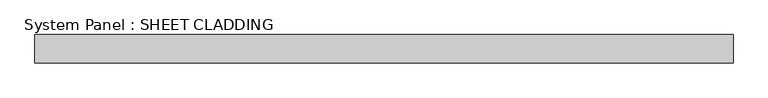
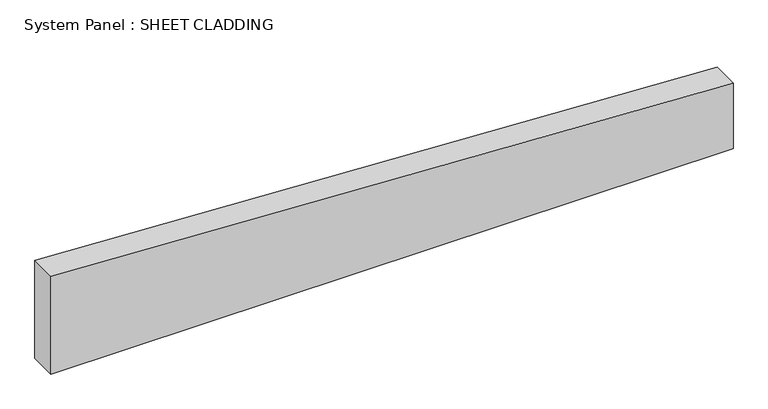
"""IFC4 building model written with IfcOpenShell, lengths in millimetres: plate geometry, System Panel : SHEET CLADDING."""

import ifcopenshell
import ifcopenshell.guid

model = None  # the IFC model being written
_history = None  # IfcOwnerHistory: only IFC2X3 demands one
_inside = {}  # id of a spatial element -> (the spatial element, [elements in it])
_under = {}  # id of a project, library or spatial element -> (it, [spatial elements below it])
_declared = {}  # id of a project -> (the project, [libraries it declares])
_typed = {}  # id of a type object -> (the type object, [elements of that type])
_made_of = {}  # id of a material, layer set ... -> (it, [elements and type objects made of it])


def new_model(schema):
    """Start an empty IFC model of exactly this schema.

    Asked for "IFC4X3", IfcOpenShell would pick the latest addendum, in which some entities
    have other attributes; the version numbers below select the first issue.
    IFC2X3 requires an IfcOwnerHistory on every rooted entity: one is made here for all.
    """
    global model, _history
    if schema == "IFC4X3":
        model = ifcopenshell.file(schema_version=(4, 3, 0, 0))
    else:
        model = ifcopenshell.file(schema=schema)
    _inside.clear()
    _under.clear()
    _declared.clear()
    _typed.clear()
    _made_of.clear()
    _history = None
    if model.schema == "IFC2X3":
        org = make("IfcOrganization", Name="unknown")
        user = make(
            "IfcPersonAndOrganization",
            ThePerson=make("IfcPerson", FamilyName="unknown"),
            TheOrganization=org,
        )
        app = make(
            "IfcApplication",
            ApplicationDeveloper=org,
            Version="unknown",
            ApplicationFullName="unknown",
            ApplicationIdentifier="unknown",
        )
        _history = make(
            "IfcOwnerHistory",
            OwningUser=user,
            OwningApplication=app,
            ChangeAction="ADDED",
            CreationDate=0,
        )
    return model


def make(cls, **values):
    """One entity of the class cls with the attributes given. An attribute that is None is left unset."""
    return model.create_entity(
        cls, **{name: value for name, value in values.items() if value is not None}
    )


def rooted(cls, **values):
    """An entity with a GlobalId (a new one), such as an element, a storey or a relation."""
    return make(cls, GlobalId=ifcopenshell.guid.new(), OwnerHistory=_history, **values)


def si_unit(unit_type, name, prefix=None):
    """IfcSIUnit, for example si_unit("LENGTHUNIT", "METRE", prefix="MILLI")."""
    return make("IfcSIUnit", UnitType=unit_type, Prefix=prefix, Name=name)


def assignment(units):
    """IfcUnitAssignment: the units of a project."""
    return None if units is None else make("IfcUnitAssignment", Units=units)


def point(xyz):
    """IfcCartesianPoint."""
    return None if xyz is None else make("IfcCartesianPoint", Coordinates=xyz)


def direction(xyz):
    """IfcDirection."""
    return None if xyz is None else make("IfcDirection", DirectionRatios=xyz)


def frame(location, z_axis=None, x_axis=None):
    """IfcAxis2Placement3D, a coordinate frame: its origin and axes. An axis left out is left unset."""
    return make(
        "IfcAxis2Placement3D",
        Location=point(location),
        Axis=direction(z_axis),
        RefDirection=direction(x_axis),
    )


def origin():
    """The frame at (0, 0, 0) with its axes left unset."""
    return frame((0.0, 0.0, 0.0))


def place(relative_to, where):
    """IfcLocalPlacement: puts the frame where relative to a parent placement (None: the world)."""
    return make(
        "IfcLocalPlacement", PlacementRelTo=relative_to, RelativePlacement=where
    )


def context(
    kind, dimensions, precision=None, world=None, true_north=None, identifier=None
):
    """IfcGeometricRepresentationContext, for example the 3D "Model" context."""
    return make(
        "IfcGeometricRepresentationContext",
        ContextIdentifier=identifier,
        ContextType=kind,
        CoordinateSpaceDimension=dimensions,
        Precision=precision,
        WorldCoordinateSystem=world,
        TrueNorth=true_north,
    )


def project(units=None, contexts=None):
    """IfcProject with its units and contexts."""
    return rooted(
        "IfcProject",
        Name="project",
        RepresentationContexts=contexts,
        UnitsInContext=assignment(units),
    )


def spatial(cls, under=None, at=None, **own):
    """A site, building, storey or space (cls), placed at a placement, below another one or the project."""
    s = rooted(cls, ObjectPlacement=at, **own)
    if under is not None:
        _under.setdefault(under.id(), (under, []))[1].append(s)
    return s


def polyline(points):
    """IfcPolyline through the points."""
    return make("IfcPolyline", Points=[point(p) for p in points])


def outline(outer, holes=None, kind="AREA"):
    """IfcArbitraryClosedProfileDef: a profile drawn as a closed curve; with holes, ...WithVoids."""
    if holes is None:
        return make("IfcArbitraryClosedProfileDef", ProfileType=kind, OuterCurve=outer)
    return make(
        "IfcArbitraryProfileDefWithVoids",
        ProfileType=kind,
        OuterCurve=outer,
        InnerCurves=holes,
    )


def extrude(swept, where, along, depth):
    """IfcExtrudedAreaSolid: the profile swept, set in the frame where, extruded along a direction by depth."""
    return make(
        "IfcExtrudedAreaSolid",
        SweptArea=swept,
        Position=where,
        ExtrudedDirection=direction(along),
        Depth=depth,
    )


def shape(context_of_items, identifier, shape_type, items):
    """IfcShapeRepresentation: the items that make up one representation, for example the "Body"."""
    return make(
        "IfcShapeRepresentation",
        ContextOfItems=context_of_items,
        RepresentationIdentifier=identifier,
        RepresentationType=shape_type,
        Items=items,
    )


def source(mapping_origin, context_of_items, identifier, shape_type, items):
    """IfcRepresentationMap: a shape defined once, which mapped items show again and again."""
    return make(
        "IfcRepresentationMap",
        MappingOrigin=mapping_origin,
        MappedRepresentation=shape(context_of_items, identifier, shape_type, items),
    )


def transform(
    local_origin,
    x_axis=None,
    y_axis=None,
    z_axis=None,
    scale=None,
    scale2=None,
    scale3=None,
    uniform=True,
):
    """IfcCartesianTransformationOperator3D, or its non-uniform kind. x_axis, y_axis, z_axis: its Axis1, 2, 3."""
    if uniform:
        return make(
            "IfcCartesianTransformationOperator3D",
            Axis1=direction(x_axis),
            Axis2=direction(y_axis),
            LocalOrigin=point(local_origin),
            Scale=scale,
            Axis3=direction(z_axis),
        )
    return make(
        "IfcCartesianTransformationOperator3DnonUniform",
        Axis1=direction(x_axis),
        Axis2=direction(y_axis),
        LocalOrigin=point(local_origin),
        Scale=scale,
        Axis3=direction(z_axis),
        Scale2=scale2,
        Scale3=scale3,
    )


def mapped(mapping_source, mapping_target):
    """IfcMappedItem: shows the shape of a source again, moved by a transform."""
    return make(
        "IfcMappedItem", MappingSource=mapping_source, MappingTarget=mapping_target
    )


def made_of(thing, what):
    """Note that an element or type object is made of a material, layer set ...; save() writes the relation."""
    if what is not None:
        _made_of.setdefault(what.id(), (what, []))[1].append(thing)
    return thing


def element(
    cls,
    number,
    at=None,
    inside=None,
    cuts=None,
    type_object=None,
    material=None,
    context=None,
    identifier="Body",
    shape_type=None,
    held_by="IfcProductDefinitionShape",
    body=None,
    shapes=None,
    **own,
):
    """One element of the class cls, such as IfcWall. Its Tag is "e" and its number.

    at: its placement. inside: the storey or other place that contains it. cuts: it is an
    opening in that element (IfcRelVoidsElement). A single representation is given by context,
    identifier, shape_type and body (its items); several are given by shapes. held_by: the class
    of the entity that holds the representations. save() writes the other relations.
    """
    e = rooted(cls, Tag="e%d" % number, ObjectPlacement=at, **own)
    if body is not None:
        shapes = [shape(context, identifier, shape_type, body)]
    if shapes is not None:
        e.Representation = make(held_by, Representations=shapes)
    if inside is not None:
        _inside.setdefault(inside.id(), (inside, []))[1].append(e)
    if cuts is not None:
        rooted(
            "IfcRelVoidsElement", RelatingBuildingElement=cuts, RelatedOpeningElement=e
        )
    if type_object is not None:
        _typed.setdefault(type_object.id(), (type_object, []))[1].append(e)
    return made_of(e, material)


def aggregate(whole, parts):
    """IfcRelAggregates: a whole, such as a stair, and the parts it consists of."""
    return rooted("IfcRelAggregates", RelatingObject=whole, RelatedObjects=parts)


def save(model, path):
    """Write the relations noted so far, then the file.

    IfcRelAggregates (storeys below a building ...), IfcRelContainedInSpatialStructure (elements
    in a storey), IfcRelDefinesByType, IfcRelAssociatesMaterial and IfcRelDeclares: one each for
    every whole, place, type object, material and project.
    """
    for whole, parts in _under.values():
        aggregate(whole, parts)
    for where, things in _inside.values():
        rooted(
            "IfcRelContainedInSpatialStructure",
            RelatedElements=things,
            RelatingStructure=where,
        )
    for kind, things in _typed.values():
        rooted("IfcRelDefinesByType", RelatedObjects=things, RelatingType=kind)
    for what, things in _made_of.values():
        rooted("IfcRelAssociatesMaterial", RelatedObjects=things, RelatingMaterial=what)
    for by, libraries in _declared.values():
        rooted("IfcRelDeclares", RelatingContext=by, RelatedDefinitions=libraries)
    model.write(path)


def system_panel_sheet_cladding_b79a58c8(model_context):
    return source(origin(), model_context, "Body", "SweptSolid", [
        extrude(outline(polyline([(0.0, -735.4591837), (0.0, 735.4591837), (149.3602041, 735.4591837), (222.9061225, -735.4591837), (0.0, -735.4591837)])), frame((0.0, -10.5, 0.0), z_axis=(0.0, 1.0, 0.0), x_axis=(0.0, 0.0, 1.0)), (0.0, 0.0, 1.0), 60.0),
    ])


if __name__ == "__main__":
    model = new_model("IFC4")
    model_context = context("Model", 3, world=origin())
    ifc_project = project(units=[si_unit("LENGTHUNIT", "METRE", prefix="MILLI")], contexts=[model_context])
    site = spatial("IfcSite", under=ifc_project)
    building = spatial("IfcBuilding", under=site)
    placement = place(None, origin())
    system_panel_sheet_cladding_shape = system_panel_sheet_cladding_b79a58c8(model_context)
    element("IfcPlate", 1, ObjectType="System Panel : SHEET CLADDING", at=placement, inside=building, context=model_context, shape_type="MappedRepresentation", body=[
        mapped(system_panel_sheet_cladding_shape, transform((0.0, 0.0, 0.0), x_axis=(1.0, 0.0, 0.0), y_axis=(0.0, 1.0, 0.0), z_axis=(0.0, 0.0, 1.0))),
    ])
    save(model, "model.ifc")
